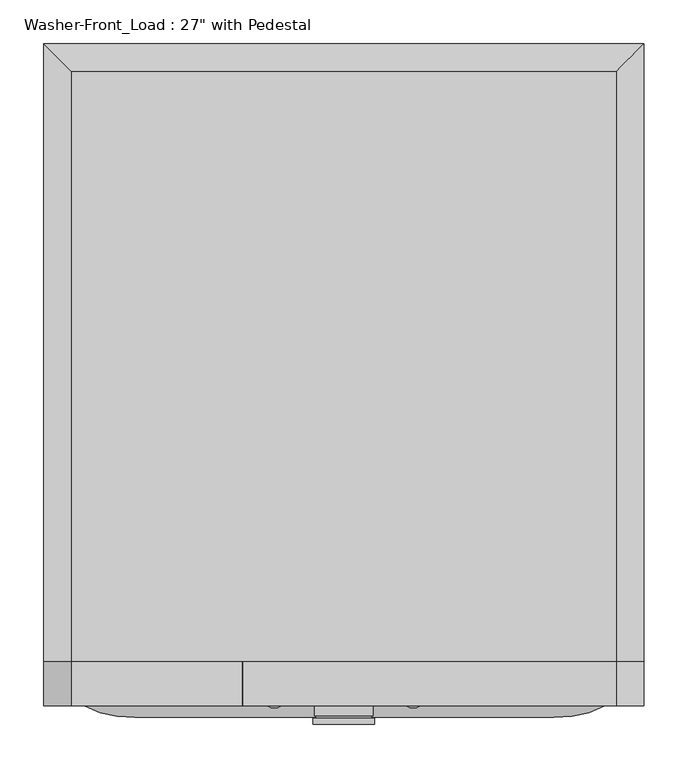
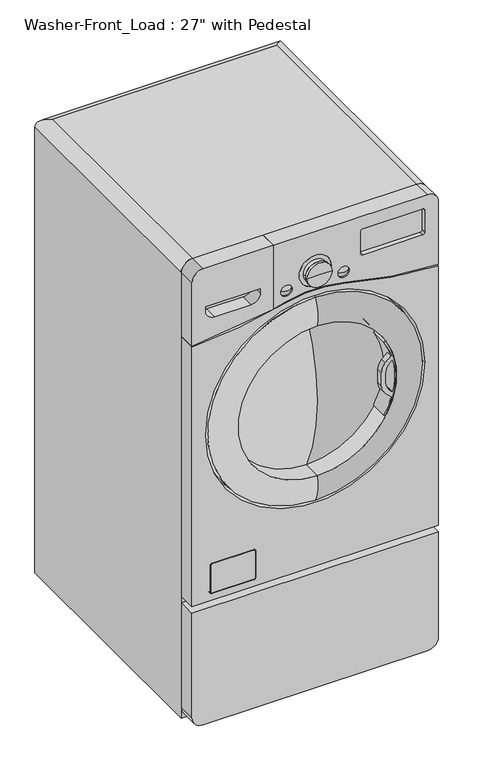
"""IFC4 building model written with IfcOpenShell, lengths in millimetres: proxy geometry."""

from ifc_helpers import new_model, si_unit, point, frame, frame_2d, origin, place, context, project, spatial, polyline, circle_curve, ellipse_curve, trimmed, segment, composite_curve, outline, extrude, source, transform, mapped, element, save
from ifc_brep_helpers import plane_surface, cylinder_surface, revolved_surface, advanced_brep


def proxy_bbf5bb18(model_context):
    return source(origin(), model_context, "Body", "SolidModel", [
        advanced_brep(
        [(-311.15, -806.45, 1341.4375), (311.15, -806.45, 1341.4375), (311.15, -133.35, 1341.4375), (-311.15, -133.35, 1341.4375), (342.9, -101.6, 0.0), (342.9, -806.45, 0.0), (-342.9, -806.45, 0.0), (-342.9, -101.6, 0.0), (-342.9, -101.6, 1309.6875), (342.9, -101.6, 1309.6875), (-342.9, -806.45, 1309.6875), (342.9, -806.45, 1309.6875)],
        [
            (0, 1),
            (1, 2),
            (2, 3),
            (3, 0),
            (4, 5),
            (5, 6),
            (6, 7),
            (7, 4),
            (7, 8),
            (8, 9),
            (9, 4),
            (6, 10),
            (10, 8),
            (5, 11),
            (11, 1, circle_curve(frame((311.15, -806.45, 1309.6875), z_axis=(0.0, -1.0, 0.0), x_axis=(-1.0, 0.0, 0.0)), 31.75)),
            (0, 10, circle_curve(frame((-311.15, -806.45, 1309.6875), z_axis=(0.0, -1.0, 0.0), x_axis=(1.0, 0.0, 0.0)), 31.75)),
            (9, 11),
            (9, 2, ellipse_curve(frame((311.15, -133.35, 1309.6875), z_axis=(0.7071067811865475, -0.7071067811865475, 0.0), x_axis=(0.7071067811865474, 0.7071067811865476, 0.0)), 44.9012806, 31.75)),
            (8, 3, ellipse_curve(frame((-311.15, -133.35, 1309.6875), z_axis=(0.7071067811865475, 0.7071067811865476, 0.0), x_axis=(-0.7071067811865476, 0.7071067811865475, 0.0)), 44.9012806, 31.75)),
        ],
        [
            plane_surface(frame((-342.9, -101.6, 1341.4375), z_axis=(0.0, 0.0, 1.0), x_axis=(-1.0, 0.0, 0.0))),
            plane_surface(frame((-342.9, -101.6, 0.0), z_axis=(0.0, 0.0, -1.0), x_axis=(1.0, 0.0, 0.0))),
            plane_surface(frame((342.9, -101.6, 1341.4375), z_axis=(0.0, 1.0, 0.0), x_axis=(0.0, 0.0, -1.0))),
            plane_surface(frame((-342.9, -101.6, 1341.4375), z_axis=(-1.0, 0.0, 0.0), x_axis=(0.0, 0.0, -1.0))),
            plane_surface(frame((-342.9, -806.45, 1341.4375), z_axis=(0.0, -1.0, 0.0), x_axis=(0.0, 0.0, -1.0))),
            plane_surface(frame((342.9, -806.45, 1341.4375), z_axis=(1.0, 0.0, 0.0), x_axis=(0.0, 0.0, -1.0))),
            cylinder_surface(frame((311.15, -806.45, 1309.6875), z_axis=(0.0, 1.0, 0.0), x_axis=(-1.0, 0.0, 0.0)), 31.75),
            cylinder_surface(frame((342.9, -133.35, 1309.6875), z_axis=(-1.0, 0.0, 0.0), x_axis=(0.0, -1.0, 0.0)), 31.75),
            cylinder_surface(frame((-311.15, -101.6, 1309.6875), z_axis=(0.0, -1.0, 0.0), x_axis=(1.0, 0.0, 0.0)), 31.75),
        ],
        [
            (0, [[1, 2, 3, 4]]),
            (1, [[5, 6, 7, 8]]),
            (2, [[-8, 9, 10, 11]]),
            (3, [[-7, 12, 13, -9]]),
            (4, [[-6, 14, 15, -1, 16, -12]]),
            (5, [[-5, -11, 17, -14]]),
            (6, [[18, -2, -15, -17]]),
            (7, [[-18, -10, 19, -3]]),
            (8, [[-19, -13, -16, -4]]),
        ],
    ),
        advanced_brep(
        [(311.15, -806.45, 1341.4375), (342.9, -806.45, 1309.6875), (342.9, -806.45, 1124.7335923), (83.8185478, -806.45, 1162.9213288), (-83.8185478, -806.45, 1162.9213288), (-114.8640352, -806.45, 1155.0697282), (-114.8640352, -806.45, 1341.4375), (-63.5, -806.45, 1195.3875), (-95.25, -806.45, 1195.3875), (95.25, -806.45, 1195.3875), (63.5, -806.45, 1195.3875), (-44.45, -806.45, 1227.1375), (44.45, -806.45, 1227.1375), (-83.8185478, -857.25, 1162.9213288), (83.8185478, -857.25, 1162.9213288), (342.9, -857.25, 1124.7335923), (342.9, -857.25, 1309.6875), (311.15, -857.25, 1341.4375), (-114.8640352, -857.25, 1341.4375), (-114.8640352, -857.25, 1155.0697282), (-63.5, -857.25, 1195.3875), (-95.25, -857.25, 1195.3875), (95.25, -857.25, 1195.3875), (63.5, -857.25, 1195.3875), (298.45, -857.25, 1227.1375), (133.35, -857.25, 1227.1375), (127.0, -857.25, 1233.4875), (127.0, -857.25, 1296.9875), (133.35, -857.25, 1303.3375), (298.45, -857.25, 1303.3375), (304.8, -857.25, 1296.9875), (304.8, -857.25, 1233.4875), (44.45, -857.25, 1227.1375), (-44.45, -857.25, 1227.1375), (298.45, -844.55, 1227.1375), (304.8, -844.55, 1233.4875), (304.8, -844.55, 1296.9875), (298.45, -844.55, 1303.3375), (133.35, -844.55, 1303.3375), (127.0, -844.55, 1296.9875), (127.0, -844.55, 1233.4875), (133.35, -844.55, 1227.1375)],
        [
            (0, 1, circle_curve(frame((311.15, -806.45, 1309.6875), z_axis=(0.0, 1.0, 0.0), x_axis=(-1.0, 0.0, 0.0)), 31.75)),
            (1, 2),
            (2, 3, circle_curve(frame((378.000978, -806.45, 2260.8251052), z_axis=(0.0, 1.0, 0.0), x_axis=(-1.0, 0.0, 0.0)), 1136.633628)),
            (3, 4, circle_curve(frame((0.0, -806.45, 850.10625), z_axis=(0.0, -1.0, 0.0), x_axis=(-1.0, 0.0, 0.0)), 323.85)),
            (4, 5, circle_curve(frame((-378.000978, -806.45, 2260.8251052), z_axis=(0.0, 1.0, 0.0), x_axis=(-1.0, 0.0, 0.0)), 1136.633628)),
            (5, 6),
            (6, 0),
            (7, 8, circle_curve(frame((-79.375, -806.45, 1195.3875), z_axis=(0.0, -1.0, 0.0), x_axis=(-1.0, 0.0, 0.0)), 15.875)),
            (8, 7, circle_curve(frame((-79.375, -806.45, 1195.3875), z_axis=(0.0, -1.0, 0.0), x_axis=(-1.0, 0.0, 0.0)), 15.875)),
            (9, 10, circle_curve(frame((79.375, -806.45, 1195.3875), z_axis=(0.0, -1.0, 0.0), x_axis=(-1.0, 0.0, 0.0)), 15.875)),
            (10, 9, circle_curve(frame((79.375, -806.45, 1195.3875), z_axis=(0.0, -1.0, 0.0), x_axis=(-1.0, 0.0, 0.0)), 15.875)),
            (11, 12, circle_curve(frame((0.0, -806.45, 1227.1375), z_axis=(0.0, -1.0, 0.0), x_axis=(-1.0, 0.0, 0.0)), 44.45)),
            (12, 11, circle_curve(frame((0.0, -806.45, 1227.1375), z_axis=(0.0, -1.0, 0.0), x_axis=(-1.0, 0.0, 0.0)), 44.45)),
            (13, 14, circle_curve(frame((0.0, -857.25, 850.10625), z_axis=(0.0, 1.0, 0.0), x_axis=(-1.0, 0.0, 0.0)), 323.85)),
            (14, 15, circle_curve(frame((378.000978, -857.25, 2260.8251052), z_axis=(0.0, -1.0, 0.0), x_axis=(-1.0, 0.0, 0.0)), 1136.633628)),
            (15, 16),
            (16, 17, circle_curve(frame((311.15, -857.25, 1309.6875), z_axis=(0.0, -1.0, 0.0), x_axis=(-1.0, 0.0, 0.0)), 31.75)),
            (17, 18),
            (18, 19),
            (19, 13, circle_curve(frame((-378.000978, -857.25, 2260.8251052), z_axis=(0.0, -1.0, 0.0), x_axis=(-1.0, 0.0, 0.0)), 1136.633628)),
            (20, 21, circle_curve(frame((-79.375, -857.25, 1195.3875), z_axis=(0.0, 1.0, 0.0), x_axis=(-1.0, 0.0, 0.0)), 15.875)),
            (21, 20, circle_curve(frame((-79.375, -857.25, 1195.3875), z_axis=(0.0, 1.0, 0.0), x_axis=(-1.0, 0.0, 0.0)), 15.875)),
            (22, 23, circle_curve(frame((79.375, -857.25, 1195.3875), z_axis=(0.0, 1.0, 0.0), x_axis=(-1.0, 0.0, 0.0)), 15.875)),
            (23, 22, circle_curve(frame((79.375, -857.25, 1195.3875), z_axis=(0.0, 1.0, 0.0), x_axis=(-1.0, 0.0, 0.0)), 15.875)),
            (24, 25),
            (25, 26, circle_curve(frame((133.35, -857.25, 1233.4875), z_axis=(0.0, 1.0, 0.0), x_axis=(-1.0, 0.0, 0.0)), 6.35)),
            (26, 27),
            (27, 28, circle_curve(frame((133.35, -857.25, 1296.9875), z_axis=(0.0, 1.0, 0.0), x_axis=(-1.0, 0.0, 0.0)), 6.35)),
            (28, 29),
            (29, 30, circle_curve(frame((298.45, -857.25, 1296.9875), z_axis=(0.0, 1.0, 0.0), x_axis=(-1.0, 0.0, 0.0)), 6.35)),
            (30, 31),
            (31, 24, circle_curve(frame((298.45, -857.25, 1233.4875), z_axis=(0.0, 1.0, 0.0), x_axis=(-1.0, 0.0, 0.0)), 6.35)),
            (32, 33, circle_curve(frame((0.0, -857.25, 1227.1375), z_axis=(0.0, 1.0, 0.0), x_axis=(-1.0, 0.0, 0.0)), 44.45)),
            (33, 32, circle_curve(frame((0.0, -857.25, 1227.1375), z_axis=(0.0, 1.0, 0.0), x_axis=(-1.0, 0.0, 0.0)), 44.45)),
            (17, 0),
            (6, 18),
            (16, 1),
            (15, 2),
            (14, 3),
            (13, 4),
            (19, 5),
            (34, 35, circle_curve(frame((298.45, -844.55, 1233.4875), z_axis=(0.0, -1.0, 0.0), x_axis=(-1.0, 0.0, 0.0)), 6.35)),
            (35, 36),
            (36, 37, circle_curve(frame((298.45, -844.55, 1296.9875), z_axis=(0.0, -1.0, 0.0), x_axis=(-1.0, 0.0, 0.0)), 6.35)),
            (37, 38),
            (38, 39, circle_curve(frame((133.35, -844.55, 1296.9875), z_axis=(0.0, -1.0, 0.0), x_axis=(-1.0, 0.0, 0.0)), 6.35)),
            (39, 40),
            (40, 41, circle_curve(frame((133.35, -844.55, 1233.4875), z_axis=(0.0, -1.0, 0.0), x_axis=(-1.0, 0.0, 0.0)), 6.35)),
            (41, 34),
            (41, 25),
            (24, 34),
            (40, 26),
            (39, 27),
            (38, 28),
            (37, 29),
            (36, 30),
            (35, 31),
            (7, 20),
            (21, 8),
            (9, 22),
            (23, 10),
            (11, 33),
            (32, 12),
        ],
        [
            plane_surface(frame((279.4, -806.45, 1309.6875), z_axis=(0.0, 1.0, 0.0), x_axis=(0.0, 0.0, 1.0))),
            plane_surface(frame((279.4, -857.25, 1309.6875), z_axis=(0.0, -1.0, 0.0), x_axis=(0.0, 0.0, -1.0))),
            plane_surface(frame((-311.15, -806.45, 1341.4375), z_axis=(0.0, 0.0, 1.0), x_axis=(0.0, -1.0, 0.0))),
            cylinder_surface(frame((311.15, -857.25, 1309.6875), z_axis=(0.0, 1.0, 0.0), x_axis=(-1.0, 0.0, 0.0)), 31.75),
            plane_surface(frame((342.9, -806.45, 1309.6875), z_axis=(1.0, 0.0, 0.0), x_axis=(0.0, -1.0, 0.0))),
            cylinder_surface(frame((378.000978, -857.25, 2260.8251052), z_axis=(0.0, 1.0, 0.0), x_axis=(-1.0, 0.0, 0.0)), 1136.633628),
            revolved_surface(polyline([(-323.85, -857.25, 850.10625), (-323.85, -806.45, 850.10625)]), (0.0, -857.25, 850.10625), (0.0, -1.0, 0.0)),
            cylinder_surface(frame((-378.000978, -857.25, 2260.8251052), z_axis=(0.0, 1.0, 0.0), x_axis=(-1.0, 0.0, 0.0)), 1136.633628),
            plane_surface(frame((-114.8640352, -806.45, 1341.4375), z_axis=(-1.0, 0.0, 0.0), x_axis=(0.0, -1.0, 0.0))),
            plane_surface(frame((133.35, -844.55, 1227.1375), z_axis=(0.0, -1.0, 0.0), x_axis=(-1.0, 0.0, 0.0))),
            plane_surface(frame((298.45, -844.55, 1227.1375), z_axis=(0.0, 0.0, 1.0), x_axis=(0.0, -1.0, 0.0))),
            revolved_surface(polyline([(127.0, -844.55, 1233.4875), (127.0, -857.25, 1233.4875)]), (133.35, -857.25, 1233.4875), (0.0, 1.0, 0.0)),
            plane_surface(frame((127.0, -844.55, 1233.4875), z_axis=(1.0, 0.0, 0.0), x_axis=(0.0, -1.0, 0.0))),
            revolved_surface(polyline([(127.0, -844.55, 1296.9875), (127.0, -857.25, 1296.9875)]), (133.35, -857.25, 1296.9875), (0.0, 1.0, 0.0)),
            plane_surface(frame((133.35, -844.55, 1303.3375), z_axis=(0.0, 0.0, -1.0), x_axis=(0.0, -1.0, 0.0))),
            revolved_surface(polyline([(292.09999999999997, -844.55, 1296.9875), (292.09999999999997, -857.25, 1296.9875)]), (298.45, -857.25, 1296.9875), (0.0, 1.0, 0.0)),
            plane_surface(frame((304.8, -844.55, 1296.9875), z_axis=(-1.0, 0.0, 0.0), x_axis=(0.0, -1.0, 0.0))),
            revolved_surface(polyline([(292.09999999999997, -844.55, 1233.4875), (292.09999999999997, -857.25, 1233.4875)]), (298.45, -857.25, 1233.4875), (0.0, 1.0, 0.0)),
            revolved_surface(polyline([(-95.25, -857.25, 1195.3875), (-95.25, -806.45, 1195.3875)]), (-79.375, -857.25, 1195.3875), (0.0, -1.0, 0.0)),
            revolved_surface(polyline([(63.5, -857.25, 1195.3875), (63.5, -806.45, 1195.3875)]), (79.375, -857.25, 1195.3875), (0.0, -1.0, 0.0)),
            revolved_surface(polyline([(-44.45, -806.45, 1227.1375), (-44.45, -857.25, 1227.1375)]), (0.0, -857.25, 1227.1375), (0.0, 1.0, 0.0)),
        ],
        [
            (0, [[1, 2, 3, 4, 5, 6, 7], [8, 9], [10, 11], [12, 13]]),
            (1, [[14, 15, 16, 17, 18, 19, 20], [21, 22], [23, 24], [25, 26, 27, 28, 29, 30, 31, 32], [33, 34]]),
            (2, [[35, -7, 36, -18]]),
            (3, [[-1, -35, -17, 37]]),
            (4, [[-2, -37, -16, 38]]),
            (5, [[-3, -38, -15, 39]]),
            (6, [[-4, -39, -14, 40]]),
            (7, [[-40, -20, 41, -5]]),
            (8, [[-6, -41, -19, -36]]),
            (9, [[42, 43, 44, 45, 46, 47, 48, 49]]),
            (10, [[-49, 50, -25, 51]]),
            (11, [[-48, 52, -26, -50]]),
            (12, [[-47, 53, -27, -52]]),
            (13, [[-46, 54, -28, -53]]),
            (14, [[-45, 55, -29, -54]]),
            (15, [[-44, 56, -30, -55]]),
            (16, [[-43, 57, -31, -56]]),
            (17, [[-42, -51, -32, -57]]),
            (18, [[-8, 58, -22, 59]]),
            (18, [[-9, -59, -21, -58]]),
            (19, [[-10, 60, -24, 61]]),
            (19, [[-11, -61, -23, -60]]),
            (20, [[62, -33, 63, -12]]),
            (20, [[-62, -13, -63, -34]]),
        ],
    ),
        advanced_brep(
        [(-342.9, -806.45, 1124.7335923), (-342.9, -806.45, 1309.6875), (-311.15, -806.45, 1341.4375), (-116.4515352, -806.45, 1341.4375), (-116.4515352, -806.45, 1154.693154), (-311.15, -857.25, 1341.4375), (-342.9, -857.25, 1309.6875), (-342.9, -857.25, 1124.7335923), (-116.4515352, -857.25, 1154.693154), (-116.4515352, -857.25, 1341.4375), (-152.4, -857.25, 1227.1375), (-152.4, -857.25, 1214.4375), (-177.8, -857.25, 1189.0375), (-279.4, -857.25, 1189.0375), (-304.8, -857.25, 1214.4375), (-304.8, -857.25, 1227.1375), (-152.4, -819.15, 1227.1375), (-304.8, -819.15, 1227.1375), (-304.8, -819.15, 1214.4375), (-279.4, -819.15, 1189.0375), (-177.8, -819.15, 1189.0375), (-152.4, -819.15, 1214.4375)],
        [
            (0, 1),
            (1, 2, circle_curve(frame((-311.15, -806.45, 1309.6875), z_axis=(0.0, 1.0, 0.0), x_axis=(-1.0, 0.0, 0.0)), 31.75)),
            (2, 3),
            (3, 4),
            (4, 0, circle_curve(frame((-378.000978, -806.45, 2260.8251052), z_axis=(0.0, 1.0, 0.0), x_axis=(-1.0, 0.0, 0.0)), 1136.633628)),
            (5, 6, circle_curve(frame((-311.15, -857.25, 1309.6875), z_axis=(0.0, -1.0, 0.0), x_axis=(-1.0, 0.0, 0.0)), 31.75)),
            (6, 7),
            (7, 8, circle_curve(frame((-378.000978, -857.25, 2260.8251052), z_axis=(0.0, -1.0, 0.0), x_axis=(-1.0, 0.0, 0.0)), 1136.633628)),
            (8, 9),
            (9, 5),
            (10, 11),
            (11, 12, circle_curve(frame((-177.8, -857.25, 1214.4375), z_axis=(0.0, 1.0, 0.0), x_axis=(-1.0, 0.0, 0.0)), 25.4)),
            (12, 13),
            (13, 14, circle_curve(frame((-279.4, -857.25, 1214.4375), z_axis=(0.0, 1.0, 0.0), x_axis=(-1.0, 0.0, 0.0)), 25.4)),
            (14, 15),
            (15, 10),
            (2, 5),
            (9, 3),
            (7, 0),
            (4, 8),
            (6, 1),
            (16, 17),
            (17, 18),
            (18, 19, circle_curve(frame((-279.4, -819.15, 1214.4375), z_axis=(0.0, -1.0, 0.0), x_axis=(-1.0, 0.0, 0.0)), 25.4)),
            (19, 20),
            (20, 21, circle_curve(frame((-177.8, -819.15, 1214.4375), z_axis=(0.0, -1.0, 0.0), x_axis=(-1.0, 0.0, 0.0)), 25.4)),
            (21, 16),
            (21, 11),
            (10, 16),
            (20, 12),
            (19, 13),
            (18, 14),
            (17, 15),
        ],
        [
            plane_surface(frame((279.4, -806.45, 1309.6875), z_axis=(0.0, 1.0, 0.0), x_axis=(0.0, 0.0, 1.0))),
            plane_surface(frame((279.4, -857.25, 1309.6875), z_axis=(0.0, -1.0, 0.0), x_axis=(0.0, 0.0, -1.0))),
            plane_surface(frame((-311.15, -806.45, 1341.4375), z_axis=(0.0, 0.0, 1.0), x_axis=(0.0, -1.0, 0.0))),
            cylinder_surface(frame((-378.000978, -857.25, 2260.8251052), z_axis=(0.0, 1.0, 0.0), x_axis=(-1.0, 0.0, 0.0)), 1136.633628),
            plane_surface(frame((-342.9, -806.45, 1124.7335923), z_axis=(-1.0, 0.0, 0.0), x_axis=(0.0, -1.0, 0.0))),
            cylinder_surface(frame((-311.15, -857.25, 1309.6875), z_axis=(0.0, 1.0, 0.0), x_axis=(-1.0, 0.0, 0.0)), 31.75),
            plane_surface(frame((-152.4, -819.15, 1227.1375), z_axis=(0.0, -1.0, 0.0), x_axis=(0.0, 0.0, -1.0))),
            plane_surface(frame((-152.4, -819.15, 1227.1375), z_axis=(-1.0, 0.0, 0.0), x_axis=(0.0, -1.0, 0.0))),
            revolved_surface(polyline([(-203.20000000000002, -819.15, 1214.4375), (-203.20000000000002, -857.25, 1214.4375)]), (-177.8, -857.25, 1214.4375), (0.0, 1.0, 0.0)),
            plane_surface(frame((-177.8, -819.15, 1189.0375), z_axis=(0.0, 0.0, 1.0), x_axis=(0.0, -1.0, 0.0))),
            revolved_surface(polyline([(-304.79999999999995, -819.15, 1214.4375), (-304.79999999999995, -857.25, 1214.4375)]), (-279.4, -857.25, 1214.4375), (0.0, 1.0, 0.0)),
            plane_surface(frame((-304.8, -819.15, 1214.4375), z_axis=(1.0, 0.0, 0.0), x_axis=(0.0, -1.0, 0.0))),
            plane_surface(frame((-304.8, -819.15, 1227.1375), z_axis=(0.0, 0.0, -1.0), x_axis=(0.0, -1.0, 0.0))),
            plane_surface(frame((-116.4515352, -806.45, 1154.3581938), z_axis=(1.0, 0.0, 0.0), x_axis=(0.0, -1.0, 0.0))),
        ],
        [
            (0, [[1, 2, 3, 4, 5]]),
            (1, [[6, 7, 8, 9, 10], [11, 12, 13, 14, 15, 16]]),
            (2, [[17, -10, 18, -3]]),
            (3, [[19, -5, 20, -8]]),
            (4, [[-1, -19, -7, 21]]),
            (5, [[-2, -21, -6, -17]]),
            (6, [[22, 23, 24, 25, 26, 27]]),
            (7, [[-27, 28, -11, 29]]),
            (8, [[-26, 30, -12, -28]]),
            (9, [[-25, 31, -13, -30]]),
            (10, [[-24, 32, -14, -31]]),
            (11, [[-23, 33, -15, -32]]),
            (12, [[-22, -29, -16, -33]]),
            (13, [[-4, -18, -9, -20]]),
        ],
    ),
        advanced_brep(
        [(-342.9, -806.45, 1121.5570815), (-82.9967973, -806.45, 1159.8545143), (82.9967973, -806.45, 1159.8545143), (342.9, -806.45, 1121.5570815), (342.9, -806.45, 358.775), (-342.9, -806.45, 358.775), (304.8, -806.45, 850.10625), (-304.8, -806.45, 850.10625), (342.9, -857.25, 1121.5570815), (82.9967973, -857.25, 1159.8545143), (-82.9967973, -857.25, 1159.8545143), (-342.9, -857.25, 1121.5570815), (-342.9, -857.25, 358.775), (342.9, -857.25, 358.775), (304.8, -857.25, 850.10625), (-304.8, -857.25, 850.10625), (-165.1, -857.25, 460.375), (-165.1, -857.25, 384.175), (-171.45, -857.25, 377.825), (-285.75, -857.25, 377.825), (-292.1, -857.25, 384.175), (-292.1, -857.25, 460.375), (-285.75, -857.25, 466.725), (-171.45, -857.25, 466.725), (-166.6875, -857.25, 384.175), (-166.6875, -857.25, 460.375), (-171.45, -857.25, 465.1375), (-285.75, -857.25, 465.1375), (-290.5125, -857.25, 460.375), (-290.5125, -857.25, 384.175), (-285.75, -857.25, 379.4125), (-171.45, -857.25, 379.4125), (-166.6875, -843.75625, 384.175), (-166.6875, -843.75625, 460.375), (-165.1, -843.75625, 460.375), (-165.1, -843.75625, 384.175), (-285.75, -843.75625, 379.4125), (-171.45, -843.75625, 379.4125), (-171.45, -843.75625, 377.825), (-285.75, -843.75625, 377.825), (-290.5125, -843.75625, 460.375), (-290.5125, -843.75625, 384.175), (-292.1, -843.75625, 384.175), (-292.1, -843.75625, 460.375), (-171.45, -843.75625, 465.1375), (-285.75, -843.75625, 465.1375), (-285.75, -843.75625, 466.725), (-171.45, -843.75625, 466.725)],
        [
            (0, 1, circle_curve(frame((-378.000978, -806.45, 2260.8251052), z_axis=(0.0, -1.0, 0.0), x_axis=(-1.0, 0.0, 0.0)), 1139.808628)),
            (1, 2, circle_curve(frame((0.0, -806.45, 850.10625), z_axis=(0.0, 1.0, 0.0), x_axis=(-1.0, 0.0, 0.0)), 320.675)),
            (2, 3, circle_curve(frame((378.000978, -806.45, 2260.8251052), z_axis=(0.0, -1.0, 0.0), x_axis=(-1.0, 0.0, 0.0)), 1139.808628)),
            (3, 4),
            (4, 5),
            (5, 0),
            (6, 7, circle_curve(frame((0.0, -806.45, 850.10625), z_axis=(0.0, -1.0, 0.0), x_axis=(-1.0, 0.0, 0.0)), 304.8)),
            (7, 6, circle_curve(frame((0.0, -806.45, 850.10625), z_axis=(0.0, -1.0, 0.0), x_axis=(-1.0, 0.0, 0.0)), 304.8)),
            (8, 9, circle_curve(frame((378.000978, -857.25, 2260.8251052), z_axis=(0.0, 1.0, 0.0), x_axis=(-1.0, 0.0, 0.0)), 1139.808628)),
            (9, 10, circle_curve(frame((0.0, -857.25, 850.10625), z_axis=(0.0, -1.0, 0.0), x_axis=(-1.0, 0.0, 0.0)), 320.675)),
            (10, 11, circle_curve(frame((-378.000978, -857.25, 2260.8251052), z_axis=(0.0, 1.0, 0.0), x_axis=(-1.0, 0.0, 0.0)), 1139.808628)),
            (11, 12),
            (12, 13),
            (13, 8),
            (14, 15, circle_curve(frame((0.0, -857.25, 850.10625), z_axis=(0.0, 1.0, 0.0), x_axis=(-1.0, 0.0, 0.0)), 304.8)),
            (15, 14, circle_curve(frame((0.0, -857.25, 850.10625), z_axis=(0.0, 1.0, 0.0), x_axis=(-1.0, 0.0, 0.0)), 304.8)),
            (16, 17),
            (17, 18, circle_curve(frame((-171.45, -857.25, 384.175), z_axis=(0.0, 1.0, 0.0), x_axis=(1.0, 0.0, 0.0)), 6.35)),
            (18, 19),
            (19, 20, circle_curve(frame((-285.75, -857.25, 384.175), z_axis=(0.0, 1.0, 0.0), x_axis=(0.0, 0.0, -1.0)), 6.35)),
            (20, 21),
            (21, 22, circle_curve(frame((-285.75, -857.25, 460.375), z_axis=(0.0, 1.0, 0.0), x_axis=(-1.0, 0.0, 0.0)), 6.35)),
            (22, 23),
            (23, 16, circle_curve(frame((-171.45, -857.25, 460.375), z_axis=(0.0, 1.0, 0.0), x_axis=(0.0, 0.0, 1.0)), 6.35)),
            (24, 25),
            (25, 26, circle_curve(frame((-171.45, -857.25, 460.375), z_axis=(0.0, -1.0, 0.0), x_axis=(0.0, 0.0, 1.0)), 4.7625)),
            (26, 27),
            (27, 28, circle_curve(frame((-285.75, -857.25, 460.375), z_axis=(0.0, -1.0, 0.0), x_axis=(-1.0, 0.0, 0.0)), 4.7625)),
            (28, 29),
            (29, 30, circle_curve(frame((-285.75, -857.25, 384.175), z_axis=(0.0, -1.0, 0.0), x_axis=(0.0, 0.0, -1.0)), 4.7625)),
            (30, 31),
            (31, 24, circle_curve(frame((-171.45, -857.25, 384.175), z_axis=(0.0, -1.0, 0.0), x_axis=(1.0, 0.0, 0.0)), 4.7625)),
            (3, 8),
            (13, 4),
            (11, 0),
            (5, 12),
            (10, 1),
            (9, 2),
            (6, 14),
            (15, 7),
            (24, 32),
            (32, 33),
            (33, 25),
            (34, 35),
            (35, 17),
            (16, 34),
            (30, 36),
            (36, 37),
            (37, 31),
            (38, 39),
            (39, 19),
            (18, 38),
            (28, 40),
            (40, 41),
            (41, 29),
            (42, 43),
            (43, 21),
            (20, 42),
            (26, 44),
            (44, 45),
            (45, 27),
            (46, 47),
            (47, 23),
            (22, 46),
            (33, 44, circle_curve(frame((-171.45, -843.75625, 460.375), z_axis=(0.0, -1.0, 0.0), x_axis=(0.0, 0.0, 1.0)), 4.7625)),
            (47, 34, circle_curve(frame((-171.45, -843.75625, 460.375), z_axis=(0.0, 1.0, 0.0), x_axis=(0.0, 0.0, 1.0)), 6.35)),
            (37, 32, circle_curve(frame((-171.45, -843.75625, 384.175), z_axis=(0.0, -1.0, 0.0), x_axis=(1.0, 0.0, 0.0)), 4.7625)),
            (35, 38, circle_curve(frame((-171.45, -843.75625, 384.175), z_axis=(0.0, 1.0, 0.0), x_axis=(1.0, 0.0, 0.0)), 6.35)),
            (41, 36, circle_curve(frame((-285.75, -843.75625, 384.175), z_axis=(0.0, -1.0, 0.0), x_axis=(0.0, 0.0, -1.0)), 4.7625)),
            (39, 42, circle_curve(frame((-285.75, -843.75625, 384.175), z_axis=(0.0, 1.0, 0.0), x_axis=(0.0, 0.0, -1.0)), 6.35)),
            (46, 43, circle_curve(frame((-285.75, -843.75625, 460.375), z_axis=(0.0, -1.0, 0.0), x_axis=(-1.0, 0.0, 0.0)), 6.35)),
            (40, 45, circle_curve(frame((-285.75, -843.75625, 460.375), z_axis=(0.0, 1.0, 0.0), x_axis=(-1.0, 0.0, 0.0)), 4.7625)),
        ],
        [
            plane_surface(frame((279.4, -806.45, 1309.6875), z_axis=(0.0, 1.0, 0.0), x_axis=(0.0, 0.0, 1.0))),
            plane_surface(frame((279.4, -857.25, 1309.6875), z_axis=(0.0, -1.0, 0.0), x_axis=(0.0, 0.0, -1.0))),
            plane_surface(frame((342.9, -806.45, 1121.5570815), z_axis=(1.0, 0.0, 0.0), x_axis=(0.0, -1.0, 0.0))),
            plane_surface(frame((-342.9, -806.45, 31.75), z_axis=(-1.0, 0.0, 0.0), x_axis=(0.0, -1.0, 0.0))),
            revolved_surface(polyline([(-1517.809606, -857.25, 2260.8251052), (-1517.809606, -806.45, 2260.8251052)]), (-378.000978, -857.25, 2260.8251052), (0.0, -1.0, 0.0)),
            cylinder_surface(frame((0.0, -857.25, 850.10625), z_axis=(0.0, 1.0, 0.0), x_axis=(-1.0, 0.0, 0.0)), 320.675),
            revolved_surface(polyline([(-761.80765, -857.25, 2260.8251052), (-761.80765, -806.45, 2260.8251052)]), (378.000978, -857.25, 2260.8251052), (0.0, -1.0, 0.0)),
            revolved_surface(polyline([(-304.8, -857.25, 850.10625), (-304.8, -806.45, 850.10625)]), (0.0, -857.25, 850.10625), (0.0, -1.0, 0.0)),
            plane_surface(frame((-166.6875, -843.75625, 460.375), z_axis=(1.0, 0.0, 0.0), x_axis=(0.0, 0.0, -1.0))),
            plane_surface(frame((-165.1, -857.25, 460.375), z_axis=(-1.0, 0.0, 0.0), x_axis=(0.0, 0.0, -1.0))),
            plane_surface(frame((-171.45, -843.75625, 379.4125), z_axis=(0.0, 0.0, -1.0), x_axis=(-1.0, 0.0, 0.0))),
            plane_surface(frame((-171.45, -857.25, 377.825), z_axis=(0.0, 0.0, 1.0), x_axis=(-1.0, 0.0, 0.0))),
            plane_surface(frame((-290.5125, -843.75625, 384.175), z_axis=(-1.0, 0.0, 0.0), x_axis=(0.0, 0.0, 1.0))),
            plane_surface(frame((-292.1, -857.25, 384.175), z_axis=(1.0, 0.0, 0.0), x_axis=(0.0, 0.0, 1.0))),
            plane_surface(frame((-285.75, -843.75625, 465.1375), z_axis=(0.0, 0.0, 1.0), x_axis=(1.0, 0.0, 0.0))),
            plane_surface(frame((-285.75, -857.25, 466.725), z_axis=(0.0, 0.0, -1.0), x_axis=(1.0, 0.0, 0.0))),
            cylinder_surface(frame((-171.45, -857.25, 460.375), z_axis=(0.0, 1.0, 0.0), x_axis=(0.0, 0.0, 1.0)), 4.7625),
            revolved_surface(polyline([(-171.45, -843.75625, 466.725), (-171.45, -857.25, 466.725)]), (-171.45, -857.25, 460.375), (0.0, 1.0, 0.0)),
            cylinder_surface(frame((-171.45, -857.25, 384.175), z_axis=(0.0, 1.0, 0.0), x_axis=(1.0, 0.0, 0.0)), 4.7625),
            revolved_surface(polyline([(-165.1, -843.75625, 384.175), (-165.1, -857.25, 384.175)]), (-171.45, -857.25, 384.175), (0.0, 1.0, 0.0)),
            cylinder_surface(frame((-285.75, -857.25, 384.175), z_axis=(0.0, 1.0, 0.0), x_axis=(0.0, 0.0, -1.0)), 4.7625),
            revolved_surface(polyline([(-285.75, -843.75625, 377.825), (-285.75, -857.25, 377.825)]), (-285.75, -857.25, 384.175), (0.0, 1.0, 0.0)),
            plane_surface(frame((-285.75, -843.75625, 460.375), z_axis=(0.0, -1.0, 0.0), x_axis=(-1.0, 0.0, 0.0))),
            cylinder_surface(frame((-285.75, -857.25, 460.375), z_axis=(0.0, 1.0, 0.0), x_axis=(-1.0, 0.0, 0.0)), 4.7625),
            revolved_surface(polyline([(-292.1, -843.75625, 460.375), (-292.1, -857.25, 460.375)]), (-285.75, -857.25, 460.375), (0.0, 1.0, 0.0)),
            plane_surface(frame((342.9, -806.45, 358.775), z_axis=(0.0, 0.0, -1.0), x_axis=(-1.0, 0.0, 0.0))),
        ],
        [
            (0, [[1, 2, 3, 4, 5, 6], [7, 8]]),
            (1, [[9, 10, 11, 12, 13, 14], [15, 16], [17, 18, 19, 20, 21, 22, 23, 24]]),
            (1, [[25, 26, 27, 28, 29, 30, 31, 32]]),
            (2, [[33, -14, 34, -4]]),
            (3, [[35, -6, 36, -12]]),
            (4, [[-1, -35, -11, 37]]),
            (5, [[-2, -37, -10, 38]]),
            (6, [[-3, -38, -9, -33]]),
            (7, [[-7, 39, -16, 40]]),
            (7, [[-8, -40, -15, -39]]),
            (8, [[41, 42, 43, -25]]),
            (9, [[44, 45, -17, 46]]),
            (10, [[47, 48, 49, -31]]),
            (11, [[50, 51, -19, 52]]),
            (12, [[53, 54, 55, -29]]),
            (13, [[56, 57, -21, 58]]),
            (14, [[59, 60, 61, -27]]),
            (15, [[62, 63, -23, 64]]),
            (16, [[-43, 65, -59, -26]]),
            (17, [[-46, -24, -63, 66]]),
            (18, [[-41, -32, -49, 67]]),
            (19, [[-45, 68, -52, -18]]),
            (20, [[-47, -30, -55, 69]]),
            (21, [[-51, 70, -58, -20]]),
            (22, [[-44, -66, -62, 71, -56, -70, -50, -68], [-42, -67, -48, -69, -54, 72, -60, -65]]),
            (23, [[-53, -28, -61, -72]]),
            (24, [[-57, -71, -64, -22]]),
            (25, [[-5, -34, -13, -36]]),
        ],
    ),
        advanced_brep(
        [(342.9, -806.45, 31.75), (311.15, -806.45, 0.0), (-311.15, -806.45, 0.0), (-342.9, -806.45, 31.75), (-342.9, -806.45, 339.725), (342.9, -806.45, 339.725), (-342.9, -857.25, 31.75), (-311.15, -857.25, 0.0), (311.15, -857.25, 0.0), (342.9, -857.25, 31.75), (342.9, -857.25, 339.725), (-342.9, -857.25, 339.725)],
        [
            (0, 1, circle_curve(frame((311.15, -806.45, 31.75), z_axis=(0.0, 1.0, 0.0), x_axis=(-1.0, 0.0, 0.0)), 31.75)),
            (1, 2),
            (2, 3, circle_curve(frame((-311.15, -806.45, 31.75), z_axis=(0.0, 1.0, 0.0), x_axis=(-1.0, 0.0, 0.0)), 31.75)),
            (3, 4),
            (4, 5),
            (5, 0),
            (6, 7, circle_curve(frame((-311.15, -857.25, 31.75), z_axis=(0.0, -1.0, 0.0), x_axis=(-1.0, 0.0, 0.0)), 31.75)),
            (7, 8),
            (8, 9, circle_curve(frame((311.15, -857.25, 31.75), z_axis=(0.0, -1.0, 0.0), x_axis=(-1.0, 0.0, 0.0)), 31.75)),
            (9, 10),
            (10, 11),
            (11, 6),
            (9, 0),
            (5, 10),
            (1, 8),
            (7, 2),
            (3, 6),
            (11, 4),
        ],
        [
            plane_surface(frame((279.4, -806.45, 1309.6875), z_axis=(0.0, 1.0, 0.0), x_axis=(0.0, 0.0, 1.0))),
            plane_surface(frame((279.4, -857.25, 1309.6875), z_axis=(0.0, -1.0, 0.0), x_axis=(0.0, 0.0, -1.0))),
            plane_surface(frame((342.9, -806.45, 1121.5570815), z_axis=(1.0, 0.0, 0.0), x_axis=(0.0, -1.0, 0.0))),
            plane_surface(frame((311.15, -806.45, 0.0), z_axis=(0.0, 0.0, -1.0), x_axis=(0.0, -1.0, 0.0))),
            plane_surface(frame((-342.9, -806.45, 31.75), z_axis=(-1.0, 0.0, 0.0), x_axis=(0.0, -1.0, 0.0))),
            cylinder_surface(frame((311.15, -857.25, 31.75), z_axis=(0.0, 1.0, 0.0), x_axis=(-1.0, 0.0, 0.0)), 31.75),
            cylinder_surface(frame((-311.15, -857.25, 31.75), z_axis=(0.0, 1.0, 0.0), x_axis=(-1.0, 0.0, 0.0)), 31.75),
            plane_surface(frame((342.9, -857.25, 339.725), z_axis=(0.0, 0.0, 1.0), x_axis=(-1.0, 0.0, 0.0))),
        ],
        [
            (0, [[1, 2, 3, 4, 5, 6]]),
            (1, [[7, 8, 9, 10, 11, 12]]),
            (2, [[13, -6, 14, -10]]),
            (3, [[-2, 15, -8, 16]]),
            (4, [[17, -12, 18, -4]]),
            (5, [[-1, -13, -9, -15]]),
            (6, [[-3, -16, -7, -17]]),
            (7, [[-5, -18, -11, -14]]),
        ],
    ),
        advanced_brep(
        [(0.0, -806.45, 629.8174111), (0.0, -806.45, 1070.3950889), (0.0, -806.45, 850.10625), (0.0, -813.7906335, 629.8174111), (0.0, -813.7906335, 1070.3950889), (0.0, -867.4304538, 850.10625)],
        [
            (0, 1, circle_curve(frame((0.0, -806.45, 850.10625), z_axis=(0.0, 1.0, 0.0), x_axis=(0.0, 0.0, 1.0)), 220.2888389)),
            (1, 2),
            (2, 0),
            (1, 0, circle_curve(frame((0.0, -806.45, 850.10625), z_axis=(0.0, 1.0, 0.0), x_axis=(0.0, 0.0, 1.0)), 220.2888389)),
            (3, 4, circle_curve(frame((0.0, -813.7906335, 850.10625), z_axis=(0.0, 1.0, 0.0), x_axis=(0.0, 0.0, 1.0)), 220.2888389)),
            (4, 1),
            (0, 3),
            (4, 3, circle_curve(frame((0.0, -813.7906335, 850.10625), z_axis=(0.0, 1.0, 0.0), x_axis=(0.0, 0.0, 1.0)), 220.2888389)),
            (5, 4, circle_curve(frame((0.0, -388.2677479, 850.10625), z_axis=(-1.0, 0.0, 0.0), x_axis=(0.0, 1.0, 0.0)), 479.1627059)),
            (3, 5, circle_curve(frame((0.0, -388.2677479, 850.10625), z_axis=(-1.0, 0.0, 0.0), x_axis=(0.0, 1.0, 0.0)), 479.1627059)),
        ],
        [
            plane_surface(frame((0.0, -806.45, 850.10625), z_axis=(0.0, 1.0, 0.0), x_axis=(0.0, 0.0, 1.0))),
            cylinder_surface(frame((0.0, 2097.4086068, 850.10625), z_axis=(0.0, -1.0, 0.0), x_axis=(0.0, 0.0, 1.0)), 220.2888389),
            revolved_surface(trimmed(ellipse_curve(frame((0.0, -388.2677479, 850.10625), z_axis=(1.0, 0.0, 0.0), x_axis=(0.0, 1.0, 0.0)), 479.1627059, 479.1627059), [point((0.0, -813.7906335, 1070.3950889))], [point((0.0, -867.4304538, 850.10625))], True, "CARTESIAN"), (0.0, 2097.4086068, 850.10625), (0.0, -1.0, 0.0)),
        ],
        [
            (0, [[1, 2, 3]]),
            (0, [[4, -3, -2]]),
            (1, [[5, 6, -1, 7]]),
            (1, [[8, -7, -4, -6]]),
            (2, [[9, -5, 10]]),
            (2, [[-10, -8, -9]]),
        ],
    ),
        advanced_brep(
        [(0.0, -867.4304538, 629.8174111), (0.0, -867.4304538, 1070.3950889), (0.0, -857.25, 1148.55625), (0.0, -857.25, 551.65625), (0.0, -806.45, 629.8174111), (0.0, -806.45, 1070.3950889), (0.0, -806.45, 551.65625), (0.0, -806.45, 1148.55625)],
        [
            (0, 1, circle_curve(frame((0.0, -867.4304538, 850.10625), z_axis=(0.0, 1.0, 0.0), x_axis=(0.0, 0.0, 1.0)), 220.2888389)),
            (1, 2, circle_curve(frame((0.0, -760.8552479, 1096.2572996), z_axis=(-1.0, 0.0, 0.0), x_axis=(0.0, 1.0, 0.0)), 109.6682655)),
            (2, 3, circle_curve(frame((0.0, -857.25, 850.10625), z_axis=(0.0, -1.0, 0.0), x_axis=(0.0, 0.0, 1.0)), 298.45)),
            (3, 0, circle_curve(frame((0.0, -760.8552479, 603.9552004), z_axis=(-1.0, 0.0, 0.0), x_axis=(0.0, 1.0, 0.0)), 109.6682655)),
            (1, 0, circle_curve(frame((0.0, -867.4304538, 850.10625), z_axis=(0.0, 1.0, 0.0), x_axis=(0.0, 0.0, 1.0)), 220.2888389)),
            (3, 2, circle_curve(frame((0.0, -857.25, 850.10625), z_axis=(0.0, -1.0, 0.0), x_axis=(0.0, 0.0, 1.0)), 298.45)),
            (4, 5, circle_curve(frame((0.0, -806.45, 850.10625), z_axis=(0.0, 1.0, 0.0), x_axis=(0.0, 0.0, 1.0)), 220.2888389)),
            (5, 1),
            (0, 4),
            (5, 4, circle_curve(frame((0.0, -806.45, 850.10625), z_axis=(0.0, 1.0, 0.0), x_axis=(0.0, 0.0, 1.0)), 220.2888389)),
            (6, 7, circle_curve(frame((0.0, -806.45, 850.10625), z_axis=(0.0, 1.0, 0.0), x_axis=(0.0, 0.0, 1.0)), 298.45)),
            (7, 5),
            (4, 6),
            (7, 6, circle_curve(frame((0.0, -806.45, 850.10625), z_axis=(0.0, 1.0, 0.0), x_axis=(0.0, 0.0, 1.0)), 298.45)),
            (2, 7),
            (6, 3),
        ],
        [
            revolved_surface(trimmed(ellipse_curve(frame((0.0, -760.8552479, 1096.2572996), z_axis=(1.0, 0.0, 0.0), x_axis=(0.0, 1.0, 0.0)), 109.6682655, 109.6682655), [point((0.0, -857.25, 1148.55625))], [point((0.0, -867.4304538, 1070.3950889))], True, "CARTESIAN"), (0.0, 2097.4086068, 850.10625), (0.0, -1.0, 0.0)),
            revolved_surface(polyline([(0.0, -867.4304538000001, 1070.3950889), (0.0, -806.4500000000003, 1070.3950889)]), (0.0, 2097.4086068, 850.10625), (0.0, -1.0, 0.0)),
            plane_surface(frame((0.0, -806.45, 850.10625), z_axis=(0.0, 1.0, 0.0), x_axis=(0.0, 0.0, 1.0))),
            cylinder_surface(frame((0.0, 2097.4086068, 850.10625), z_axis=(0.0, -1.0, 0.0), x_axis=(0.0, 0.0, 1.0)), 298.45),
        ],
        [
            (0, [[1, 2, 3, 4]]),
            (0, [[5, -4, 6, -2]]),
            (1, [[7, 8, -1, 9]]),
            (1, [[10, -9, -5, -8]]),
            (2, [[11, 12, -7, 13]]),
            (2, [[14, -13, -10, -12]]),
            (3, [[-3, 15, -11, 16]]),
            (3, [[-6, -16, -14, -15]]),
        ],
    ),
        extrude(outline(composite_curve([segment(trimmed(circle_curve(frame_2d((1227.1375, 0.0)), 44.45), [point((1227.1375, 44.45))], [point((1227.1375, -44.45))], False, "CARTESIAN"), True, "CONTINUOUS"), segment(trimmed(circle_curve(frame_2d((1227.1375, 0.0)), 44.45), [point((1227.1375, -44.45))], [point((1227.1375, 44.45))], False, "CARTESIAN"), True, "CONTINUOUS")], self_intersect=False)), frame((0.0, -857.25, 0.0), z_axis=(0.0, 1.0, 0.0), x_axis=(0.0, 0.0, 1.0)), (0.0, 0.0, 1.0), 50.8),
        advanced_brep(
        [(190.7757307, -813.7906335, 739.9618305), (185.4714685, -813.7906335, 743.0242477), (185.4714685, -813.7906335, 957.1882523), (190.7757307, -813.7906335, 960.2506695), (190.7757307, -867.4304538, 739.9618305), (190.7757307, -867.4304538, 960.2506695), (185.4714685, -867.4304538, 957.1882523), (205.2548958, -867.4304538, 911.2343823), (189.4682701, -867.4304538, 895.4477566), (178.3090385, -867.4304538, 868.5069882), (178.3090385, -867.4304538, 832.5974747), (189.4682701, -867.4304538, 805.6567063), (205.4586116, -867.4304538, 789.6663648), (185.4714685, -867.4304538, 743.0242477), (208.9695507, -867.4304538, 896.9885249), (209.1319021, -867.4304538, 803.9535865), (202.1682701, -867.4304538, 810.9172186), (191.0090385, -867.4304538, 837.8579869), (191.0090385, -867.4304538, 863.246476), (202.1682701, -867.4304538, 890.1872443), (205.4586116, -850.6616291, 789.6663648), (209.1319021, -850.6616291, 803.9535865), (208.9695507, -850.6616291, 896.9885249), (205.2548958, -850.6616291, 911.2343823), (202.1682701, -850.6616291, 890.1872443), (191.0090385, -850.6616291, 863.246476), (191.0090385, -850.6616291, 837.8579869), (202.1682701, -850.6616291, 810.9172186), (189.4682701, -850.6616291, 805.6567063), (178.3090385, -850.6616291, 832.5974747), (178.3090385, -850.6616291, 868.5069882), (189.4682701, -850.6616291, 895.4477566)],
        [
            (0, 1),
            (1, 2, circle_curve(frame((0.0, -813.7906335, 850.10625), z_axis=(0.0, -1.0, 0.0), x_axis=(-1.0, 0.0, 0.0)), 214.1640045)),
            (2, 3),
            (3, 0, circle_curve(frame((0.0, -813.7906335, 850.10625), z_axis=(0.0, 1.0, 0.0), x_axis=(-1.0, 0.0, 0.0)), 220.2888389)),
            (4, 5, circle_curve(frame((0.0, -867.4304538, 850.10625), z_axis=(0.0, -1.0, 0.0), x_axis=(-1.0, 0.0, 0.0)), 220.2888389)),
            (5, 6),
            (6, 7, circle_curve(frame((0.0, -867.4304538, 850.10625), z_axis=(0.0, 1.0, 0.0), x_axis=(-1.0, 0.0, 0.0)), 214.1640045)),
            (7, 8),
            (8, 9, circle_curve(frame((216.4090385, -867.4304538, 868.5069882), z_axis=(0.0, -1.0, 0.0), x_axis=(-1.0, 0.0, 0.0)), 38.1)),
            (9, 10),
            (10, 11, circle_curve(frame((216.4090385, -867.4304538, 832.5974747), z_axis=(0.0, -1.0, 0.0), x_axis=(-1.0, 0.0, 0.0)), 38.1)),
            (11, 12),
            (12, 13, circle_curve(frame((0.0, -867.4304538, 850.10625), z_axis=(0.0, 1.0, 0.0), x_axis=(-1.0, 0.0, 0.0)), 214.1640045)),
            (13, 4),
            (14, 15, circle_curve(frame((0.0, -867.4304538, 850.10625), z_axis=(0.0, 1.0, 0.0), x_axis=(-1.0, 0.0, 0.0)), 214.1640045)),
            (15, 16),
            (16, 17, circle_curve(frame((229.1090385, -867.4304538, 837.8579869), z_axis=(0.0, 1.0, 0.0), x_axis=(-1.0, 0.0, 0.0)), 38.1)),
            (17, 18),
            (18, 19, circle_curve(frame((229.1090385, -867.4304538, 863.246476), z_axis=(0.0, 1.0, 0.0), x_axis=(-1.0, 0.0, 0.0)), 38.1)),
            (19, 14),
            (1, 13),
            (12, 20),
            (20, 21, circle_curve(frame((0.0, -850.6616291, 850.10625), z_axis=(0.0, -1.0, 0.0), x_axis=(-1.0, 0.0, 0.0)), 214.1640045)),
            (21, 15),
            (14, 22),
            (22, 23, circle_curve(frame((0.0, -850.6616291, 850.10625), z_axis=(0.0, -1.0, 0.0), x_axis=(-1.0, 0.0, 0.0)), 214.1640045)),
            (23, 7),
            (6, 2),
            (3, 5),
            (4, 0),
            (24, 25, circle_curve(frame((229.1090385, -850.6616291, 863.246476), z_axis=(0.0, -1.0, 0.0), x_axis=(-1.0, 0.0, 0.0)), 38.1)),
            (25, 26),
            (26, 27, circle_curve(frame((229.1090385, -850.6616291, 837.8579869), z_axis=(0.0, -1.0, 0.0), x_axis=(-1.0, 0.0, 0.0)), 38.1)),
            (27, 21),
            (20, 28),
            (28, 29, circle_curve(frame((216.4090385, -850.6616291, 832.5974747), z_axis=(0.0, 1.0, 0.0), x_axis=(-1.0, 0.0, 0.0)), 38.1)),
            (29, 30),
            (30, 31, circle_curve(frame((216.4090385, -850.6616291, 868.5069882), z_axis=(0.0, 1.0, 0.0), x_axis=(-1.0, 0.0, 0.0)), 38.1)),
            (31, 23),
            (22, 24),
            (25, 18),
            (17, 26),
            (27, 16),
            (11, 28),
            (29, 10),
            (9, 30),
            (31, 8),
            (19, 24),
        ],
        [
            plane_surface(frame((190.7757307, -813.7906335, 739.9618305), z_axis=(0.0, 1.0000000000000002, 0.0), x_axis=(-0.8660254037845561, 0.0, 0.4999999999997968))),
            plane_surface(frame((190.7757307, -867.4304538, 739.9618305), z_axis=(0.0, -1.0000000000000002, 0.0), x_axis=(0.8660254037845561, 0.0, -0.4999999999997968))),
            revolved_surface(polyline([(-214.1640045, -867.4304538, 850.10625), (-214.1640045, -813.7906335, 850.10625)]), (0.0, -867.4304538, 850.10625), (0.0, -1.0, 0.0)),
            cylinder_surface(frame((0.0, -867.4304538, 850.10625), z_axis=(0.0, 1.0, 0.0), x_axis=(-1.0, 0.0, 0.0)), 220.2888389),
            plane_surface(frame((190.7757307, -813.7906335, 739.9618305), z_axis=(-0.4999999999997968, 0.0, -0.8660254037845561), x_axis=(0.0, -1.0, 0.0))),
            plane_surface(frame((185.4714685, -813.7906335, 957.1882523), z_axis=(-0.5000000000001638, 0.0, 0.8660254037843441), x_axis=(0.0, -1.0, 0.0))),
            plane_surface(frame((191.0090385, -850.6616291, 863.246476), z_axis=(0.0, 1.0, 0.0), x_axis=(0.0, 0.0, -1.0))),
            plane_surface(frame((191.0090385, -850.6616291, 863.246476), z_axis=(1.0, 0.0, 3.858663484136339e-12), x_axis=(0.0, -1.0, 0.0))),
            plane_surface(frame((202.1682701, -850.6616291, 810.9172186), z_axis=(0.7071067811727703, 0.0, 0.7071067812003249), x_axis=(0.0, -1.0, 0.0))),
            plane_surface(frame((205.4586116, -850.6616291, 789.6663648), z_axis=(-0.707106781183257, 0.0, -0.7071067811898382), x_axis=(0.0, -1.0, 0.0))),
            plane_surface(frame((178.3090385, -850.6616291, 832.5974747), z_axis=(-1.0, 0.0, 0.0), x_axis=(0.0, -1.0, 0.0))),
            plane_surface(frame((189.4682701, -850.6616291, 895.4477566), z_axis=(-0.7071067811865581, 0.0, 0.7071067811865369), x_axis=(0.0, -1.0, 0.0))),
            plane_surface(frame((208.9695507, -850.6616291, 896.9885249), z_axis=(0.7071067811865405, 0.0, -0.7071067811865546), x_axis=(0.0, -1.0, 0.0))),
            revolved_surface(polyline([(191.0090385, -867.4304538, 863.246476), (191.0090385, -850.6616291, 863.246476)]), (229.1090385, -867.4304538, 863.246476), (0.0, -1.0, 0.0)),
            revolved_surface(polyline([(191.0090385, -867.4304538, 837.8579869), (191.0090385, -850.6616291, 837.8579869)]), (229.1090385, -867.4304538, 837.8579869), (0.0, -1.0, 0.0)),
            cylinder_surface(frame((216.4090385, -867.4304538, 832.5974747), z_axis=(0.0, 1.0, 0.0), x_axis=(-1.0, 0.0, 0.0)), 38.1),
            cylinder_surface(frame((216.4090385, -867.4304538, 868.5069882), z_axis=(0.0, 1.0, 0.0), x_axis=(-1.0, 0.0, 0.0)), 38.1),
        ],
        [
            (0, [[1, 2, 3, 4]]),
            (1, [[5, 6, 7, 8, 9, 10, 11, 12, 13, 14], [15, 16, 17, 18, 19, 20]]),
            (2, [[-2, 21, -13, 22, 23, 24, -15, 25, 26, 27, -7, 28]]),
            (3, [[-4, 29, -5, 30]]),
            (4, [[-1, -30, -14, -21]]),
            (5, [[-3, -28, -6, -29]]),
            (6, [[31, 32, 33, 34, -23, 35, 36, 37, 38, 39, -26, 40]]),
            (7, [[-32, 41, -18, 42]]),
            (8, [[-34, 43, -16, -24]]),
            (9, [[-35, -22, -12, 44]]),
            (10, [[-37, 45, -10, 46]]),
            (11, [[-39, 47, -8, -27]]),
            (12, [[-40, -25, -20, 48]]),
            (13, [[-31, -48, -19, -41]]),
            (14, [[-33, -42, -17, -43]]),
            (15, [[-36, -44, -11, -45]]),
            (16, [[-38, -46, -9, -47]]),
        ],
    ),
        advanced_brep(
        [(79.375, -859.6059326, 1195.3875), (63.5, -853.2559326, 1195.3875), (95.25, -853.2559326, 1195.3875), (79.375, -853.2559326, 1195.3875)],
        [
            (0, 1, circle_curve(frame((81.0201143, -832.4743968, 1195.3875), z_axis=(0.0, 0.0, -1.0), x_axis=(-1.0, 0.0, 0.0)), 27.1813656)),
            (1, 2, circle_curve(frame((79.375, -853.2559326, 1195.3875), z_axis=(0.0, -1.0, 0.0), x_axis=(-1.0, 0.0, 0.0)), 15.875)),
            (2, 0, circle_curve(frame((77.7298857, -832.4743968, 1195.3875), z_axis=(0.0, 0.0, -1.0), x_axis=(1.0, 0.0, 0.0)), 27.1813656)),
            (2, 1, circle_curve(frame((79.375, -853.2559326, 1195.3875), z_axis=(0.0, -1.0, 0.0), x_axis=(-1.0, 0.0, 0.0)), 15.875)),
            (1, 3),
            (3, 2),
        ],
        [
            revolved_surface(trimmed(ellipse_curve(frame((81.0201143, -832.4743968, 1195.3875), z_axis=(0.0, 0.0, 1.0), x_axis=(-1.0, 0.0, 0.0)), 27.1813656, 27.1813656), [point((63.5, -853.2559326, 1195.3875))], [point((79.375, -859.6059326, 1195.3875))], True, "CARTESIAN"), (79.375, -911.9651131, 1195.3875), (0.0, -1.0, 0.0)),
            plane_surface(frame((79.375, -853.2559326, 1195.3875), z_axis=(0.0, 1.0, 0.0), x_axis=(-1.0, 0.0, 0.0))),
        ],
        [
            (0, [[1, 2, 3]]),
            (0, [[-3, 4, -1]]),
            (1, [[-2, 5, 6]]),
            (1, [[-4, -6, -5]]),
        ],
    ),
        advanced_brep(
        [(-79.375, -859.6059326, 1195.3875), (-95.25, -853.2559326, 1195.3875), (-63.5, -853.2559326, 1195.3875), (-79.375, -853.2559326, 1195.3875)],
        [
            (0, 1, circle_curve(frame((-77.7298857, -832.4743968, 1195.3875), z_axis=(0.0, 0.0, -1.0), x_axis=(-1.0, 0.0, 0.0)), 27.1813656)),
            (1, 2, circle_curve(frame((-79.375, -853.2559326, 1195.3875), z_axis=(0.0, -1.0, 0.0), x_axis=(-1.0, 0.0, 0.0)), 15.875)),
            (2, 0, circle_curve(frame((-81.0201143, -832.4743968, 1195.3875), z_axis=(0.0, 0.0, -1.0), x_axis=(1.0, 0.0, 0.0)), 27.1813656)),
            (2, 1, circle_curve(frame((-79.375, -853.2559326, 1195.3875), z_axis=(0.0, -1.0, 0.0), x_axis=(-1.0, 0.0, 0.0)), 15.875)),
            (1, 3),
            (3, 2),
        ],
        [
            revolved_surface(trimmed(ellipse_curve(frame((-77.7298857, -832.4743968, 1195.3875), z_axis=(0.0, 0.0, 1.0), x_axis=(-1.0, 0.0, 0.0)), 27.1813656, 27.1813656), [point((-95.25, -853.2559326, 1195.3875))], [point((-79.375, -859.6059326, 1195.3875))], True, "CARTESIAN"), (-79.375, -911.9651131, 1195.3875), (0.0, -1.0, 0.0)),
            plane_surface(frame((-79.375, -853.2559326, 1195.3875), z_axis=(0.0, 1.0, 0.0), x_axis=(-1.0, 0.0, 0.0))),
        ],
        [
            (0, [[1, 2, 3]]),
            (0, [[-3, 4, -1]]),
            (1, [[-2, 5, 6]]),
            (1, [[-4, -6, -5]]),
        ],
    ),
        advanced_brep(
        [(33.3375, -850.9, 1227.1375), (-33.3375, -850.9, 1227.1375), (0.0, -850.9, 1227.1375), (33.3375, -868.8199252, 1227.1375), (-33.3375, -868.8199252, 1227.1375), (31.75, -868.8199252, 1227.1375), (-31.75, -868.8199252, 1227.1375), (31.75, -871.9949252, 1227.1375), (-31.75, -871.9949252, 1227.1375), (34.925, -871.9949252, 1227.1375), (-34.925, -871.9949252, 1227.1375), (34.925, -878.3449252, 1227.1375), (-34.925, -878.3449252, 1227.1375), (0.0, -878.3449252, 1227.1375)],
        [
            (0, 1, circle_curve(frame((0.0, -850.9, 1227.1375), z_axis=(0.0, 1.0, 0.0), x_axis=(-1.0, 0.0, 0.0)), 33.3375)),
            (1, 2),
            (2, 0),
            (1, 0, circle_curve(frame((0.0, -850.9, 1227.1375), z_axis=(0.0, 1.0, 0.0), x_axis=(-1.0, 0.0, 0.0)), 33.3375)),
            (3, 4, circle_curve(frame((0.0, -868.8199252, 1227.1375), z_axis=(0.0, 1.0, 0.0), x_axis=(-1.0, 0.0, 0.0)), 33.3375)),
            (4, 1),
            (0, 3),
            (4, 3, circle_curve(frame((0.0, -868.8199252, 1227.1375), z_axis=(0.0, 1.0, 0.0), x_axis=(-1.0, 0.0, 0.0)), 33.3375)),
            (5, 6, circle_curve(frame((0.0, -868.8199252, 1227.1375), z_axis=(0.0, 1.0, 0.0), x_axis=(-1.0, 0.0, 0.0)), 31.75)),
            (6, 4),
            (3, 5),
            (6, 5, circle_curve(frame((0.0, -868.8199252, 1227.1375), z_axis=(0.0, 1.0, 0.0), x_axis=(-1.0, 0.0, 0.0)), 31.75)),
            (7, 8, circle_curve(frame((0.0, -871.9949252, 1227.1375), z_axis=(0.0, 1.0, 0.0), x_axis=(-1.0, 0.0, 0.0)), 31.75)),
            (8, 6),
            (5, 7),
            (8, 7, circle_curve(frame((0.0, -871.9949252, 1227.1375), z_axis=(0.0, 1.0, 0.0), x_axis=(-1.0, 0.0, 0.0)), 31.75)),
            (9, 10, circle_curve(frame((0.0, -871.9949252, 1227.1375), z_axis=(0.0, 1.0, 0.0), x_axis=(-1.0, 0.0, 0.0)), 34.925)),
            (10, 8),
            (7, 9),
            (10, 9, circle_curve(frame((0.0, -871.9949252, 1227.1375), z_axis=(0.0, 1.0, 0.0), x_axis=(-1.0, 0.0, 0.0)), 34.925)),
            (11, 12, circle_curve(frame((0.0, -878.3449252, 1227.1375), z_axis=(0.0, 1.0, 0.0), x_axis=(-1.0, 0.0, 0.0)), 34.925)),
            (12, 10),
            (9, 11),
            (12, 11, circle_curve(frame((0.0, -878.3449252, 1227.1375), z_axis=(0.0, 1.0, 0.0), x_axis=(-1.0, 0.0, 0.0)), 34.925)),
            (13, 12),
            (11, 13),
        ],
        [
            plane_surface(frame((0.0, -850.9, 1227.1375), z_axis=(0.0, 1.0, 0.0), x_axis=(-1.0, 0.0, 0.0))),
            cylinder_surface(frame((0.0, 1524.0, 1227.1375), z_axis=(0.0, -1.0, 0.0), x_axis=(-1.0, 0.0, 0.0)), 33.3375),
            plane_surface(frame((0.0, -868.8199252, 1227.1375), z_axis=(0.0, -1.0, 0.0), x_axis=(-1.0, 0.0, 0.0))),
            cylinder_surface(frame((0.0, 1524.0, 1227.1375), z_axis=(0.0, -1.0, 0.0), x_axis=(-1.0, 0.0, 0.0)), 31.75),
            plane_surface(frame((0.0, -871.9949252, 1227.1375), z_axis=(0.0, 1.0, 0.0), x_axis=(-1.0, 0.0, 0.0))),
            cylinder_surface(frame((0.0, 1524.0, 1227.1375), z_axis=(0.0, -1.0, 0.0), x_axis=(-1.0, 0.0, 0.0)), 34.925),
            plane_surface(frame((0.0, -878.3449252, 1227.1375), z_axis=(0.0, -1.0, 0.0), x_axis=(-1.0, 0.0, 0.0))),
        ],
        [
            (0, [[1, 2, 3]]),
            (0, [[4, -3, -2]]),
            (1, [[5, 6, -1, 7]]),
            (1, [[8, -7, -4, -6]]),
            (2, [[9, 10, -5, 11]]),
            (2, [[12, -11, -8, -10]]),
            (3, [[13, 14, -9, 15]]),
            (3, [[16, -15, -12, -14]]),
            (4, [[17, 18, -13, 19]]),
            (4, [[20, -19, -16, -18]]),
            (5, [[21, 22, -17, 23]]),
            (5, [[24, -23, -20, -22]]),
            (6, [[25, -21, 26]]),
            (6, [[-26, -24, -25]]),
        ],
    ),
    ])


if __name__ == "__main__":
    model = new_model("IFC4")
    model_context = context("Model", 3, world=origin())
    ifc_project = project(units=[si_unit("LENGTHUNIT", "METRE", prefix="MILLI")], contexts=[model_context])
    site = spatial("IfcSite", under=ifc_project)
    building = spatial("IfcBuilding", under=site)
    placement = place(None, origin())
    proxy_shape = proxy_bbf5bb18(model_context)
    element("IfcBuildingElementProxy", 1, Name="Washer-Front_Load : 27\" with Pedestal", ObjectType="Washer-Front_Load : 27\" with Pedestal", at=placement, inside=building, context=model_context, shape_type="MappedRepresentation", body=[
        mapped(proxy_shape, transform((0.0, 0.0, 0.0), x_axis=(1.0, 0.0, 0.0), y_axis=(0.0, 1.0, 0.0), z_axis=(0.0, 0.0, 1.0))),
    ])
    save(model, "model.ifc")
